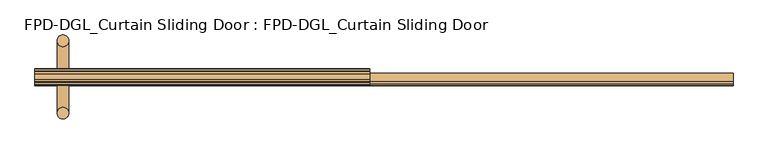
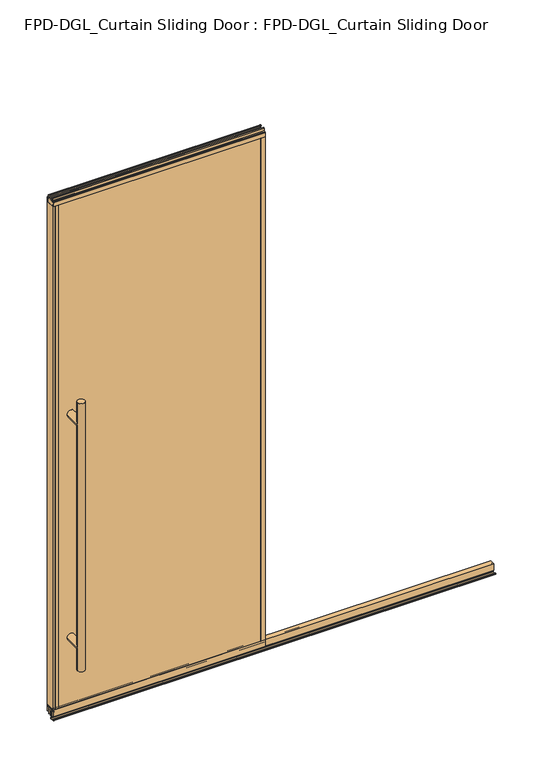
"""IFC4 building model written with IfcOpenShell, lengths in millimetres: door geometry, FPD-DGL_Curtain Sliding Door : FPD-DGL_Curtain Sliding Door."""

from ifc_helpers import new_model, si_unit, point, frame, frame_2d, origin, place, context, project, spatial, polyline, circle_curve, ellipse_curve, trimmed, segment, composite_curve, outline, extrude, source, transform, mapped, element, save
from ifc_brep_helpers import plane_surface, cylinder_surface, advanced_brep


def fpd_dgl_curtain_sliding_door_fpd_dgl_curtain_sliding_door_dd0583d6(model_context):
    return source(origin(), model_context, "Body", "SolidModel", [
        advanced_brep(
        [(-364.728125, -98.628049, 1473.2), (-396.478125, -98.628049, 1473.2), (-364.728125, 98.5969566, 1473.2), (-396.478125, 98.5969566, 1473.2), (-364.728125, -98.628049, 254.0), (-396.478125, -98.628049, 254.0), (-364.728125, 98.5969566, 254.0), (-396.478125, 98.5969566, 254.0), (-364.728125, -98.628049, 1371.6), (-396.478125, -98.628049, 1371.6), (-396.478125, -98.628049, 355.6), (-364.728125, -98.628049, 355.6), (-364.728125, 98.5969566, 1371.6), (-364.728125, 98.5969566, 355.6), (-396.478125, 98.5969566, 355.6), (-396.478125, 98.5969566, 1371.6)],
        [
            (0, 1, circle_curve(frame((-380.603125, -98.628049, 1473.2), z_axis=(0.0, 0.0, 1.0), x_axis=(-1.0, 0.0, 0.0)), 15.875)),
            (1, 0, circle_curve(frame((-380.603125, -98.628049, 1473.2), z_axis=(0.0, 0.0, 1.0), x_axis=(-1.0, 0.0, 0.0)), 15.875)),
            (2, 3, circle_curve(frame((-380.603125, 98.5969566, 1473.2), z_axis=(0.0, 0.0, 1.0), x_axis=(-1.0, 0.0, 0.0)), 15.875)),
            (3, 2, circle_curve(frame((-380.603125, 98.5969566, 1473.2), z_axis=(0.0, 0.0, 1.0), x_axis=(-1.0, 0.0, 0.0)), 15.875)),
            (4, 5, circle_curve(frame((-380.603125, -98.628049, 254.0), z_axis=(0.0, 0.0, -1.0), x_axis=(-1.0, 0.0, 0.0)), 15.875)),
            (5, 4, circle_curve(frame((-380.603125, -98.628049, 254.0), z_axis=(0.0, 0.0, -1.0), x_axis=(-1.0, 0.0, 0.0)), 15.875)),
            (6, 7, circle_curve(frame((-380.603125, 98.5969566, 254.0), z_axis=(0.0, 0.0, -1.0), x_axis=(-1.0, 0.0, 0.0)), 15.875)),
            (7, 6, circle_curve(frame((-380.603125, 98.5969566, 254.0), z_axis=(0.0, 0.0, -1.0), x_axis=(-1.0, 0.0, 0.0)), 15.875)),
            (0, 8),
            (8, 9, ellipse_curve(frame((-380.603125, -98.628049, 1371.6), z_axis=(0.0, -0.7071067811865525, 0.7071067811865427), x_axis=(0.0, 0.7071067811865427, 0.7071067811865523)), 22.4506403, 15.875)),
            (9, 1),
            (5, 10),
            (10, 11, ellipse_curve(frame((-380.603125, -98.628049, 355.6), z_axis=(0.0, -0.7071067811865525, -0.7071067811865427), x_axis=(0.0, -0.7071067811865427, 0.7071067811865523)), 22.4506403, 15.875)),
            (11, 4),
            (8, 11),
            (11, 10, ellipse_curve(frame((-380.603125, -98.628049, 355.6), z_axis=(0.0, -0.7071067811865427, 0.7071067811865525), x_axis=(0.0, 0.7071067811865525, 0.7071067811865425)), 22.4506403, 15.875)),
            (10, 9),
            (9, 8, ellipse_curve(frame((-380.603125, -98.628049, 1371.6), z_axis=(0.0, -0.7071067811865427, -0.7071067811865525), x_axis=(0.0, -0.7071067811865525, 0.7071067811865425)), 22.4506403, 15.875)),
            (2, 12),
            (12, 13),
            (13, 6),
            (7, 14),
            (14, 15),
            (15, 3),
            (15, 12, ellipse_curve(frame((-380.603125, 98.5969566, 1371.6), z_axis=(0.0, 0.7071067811865427, 0.7071067811865525), x_axis=(0.0, -0.7071067811865525, 0.7071067811865425)), 22.4506403, 15.875)),
            (13, 14, ellipse_curve(frame((-380.603125, 98.5969566, 355.6), z_axis=(0.0, 0.7071067811865427, -0.7071067811865525), x_axis=(0.0, 0.7071067811865525, 0.7071067811865425)), 22.4506403, 15.875)),
            (12, 15, ellipse_curve(frame((-380.603125, 98.5969566, 1371.6), z_axis=(0.0, 0.7071067811865525, -0.7071067811865427), x_axis=(0.0, 0.7071067811865427, 0.7071067811865523)), 22.4506403, 15.875)),
            (14, 13, ellipse_curve(frame((-380.603125, 98.5969566, 355.6), z_axis=(0.0, 0.7071067811865525, 0.7071067811865427), x_axis=(0.0, -0.7071067811865427, 0.7071067811865523)), 22.4506403, 15.875)),
            (9, 15),
            (12, 8),
            (10, 14),
            (13, 11),
        ],
        [
            plane_surface(frame((-281.4957243, 0.0, 1473.2), z_axis=(0.0, 0.0, 1.0), x_axis=(0.0, -1.0, 0.0))),
            plane_surface(frame((-281.4957243, 0.0, 254.0), z_axis=(0.0, 0.0, -1.0), x_axis=(0.0, -1.0, 0.0))),
            cylinder_surface(frame((-380.603125, -98.628049, 1473.2), z_axis=(0.0, 0.0, 1.0), x_axis=(-1.0, 0.0, 0.0)), 15.875),
            cylinder_surface(frame((-380.603125, 98.5969566, 1473.2), z_axis=(0.0, 0.0, 1.0), x_axis=(-1.0, 0.0, 0.0)), 15.875),
            cylinder_surface(frame((-380.603125, 98.5969566, 1371.6), z_axis=(0.0, -1.0, 0.0), x_axis=(1.0, 0.0, 0.0)), 15.875),
            cylinder_surface(frame((-380.603125, 0.0, 355.6), z_axis=(0.0, -1.0, 0.0), x_axis=(1.0, 0.0, 0.0)), 15.875),
        ],
        [
            (0, [[1, 2]]),
            (0, [[3, 4]]),
            (1, [[5, 6]]),
            (1, [[7, 8]]),
            (2, [[-1, 9, 10, 11]]),
            (2, [[-6, 12, 13, 14]]),
            (2, [[15, 16, 17, 18]]),
            (2, [[-2, -11, -17, -12, -5, -14, -15, -9]]),
            (3, [[-3, 19, 20, 21, -8, 22, 23, 24]]),
            (3, [[-4, -24, 25, -19]]),
            (3, [[-7, -21, 26, -22]]),
            (3, [[-20, 27, -23, 28]]),
            (4, [[29, -27, 30, -18]]),
            (4, [[-29, -10, -30, -25]]),
            (5, [[31, -26, 32, -13]]),
            (5, [[-31, -16, -32, -28]]),
        ],
    ),
        extrude(outline(composite_curve([segment(trimmed(circle_curve(frame_2d((-4.9814206, 1.1714386)), 1.1684), [point((-3.8130206, 1.1714386))], [point((-4.9814206, 0.0030387))], False, "CARTESIAN"), True, "CONTINUOUS"), segment(polyline([(-4.9814206, 0.0030387), (-22.6598203, 0.0030387)]), True, "CONTINUOUS"), segment(trimmed(circle_curve(frame_2d((-22.6598203, 1.1714386)), 1.1684), [point((-22.6598203, 0.0030387))], [point((-23.8282203, 1.1714386))], False, "CARTESIAN"), True, "CONTINUOUS"), segment(polyline([(-23.8282203, 1.1714386), (-23.8282203, 4.0416386)]), True, "CONTINUOUS"), segment(trimmed(circle_curve(frame_2d((-22.6598203, 4.0416386)), 1.1684), [point((-23.8282203, 4.0416386))], [point((-22.6598203, 5.2100386))], False, "CARTESIAN"), True, "CONTINUOUS"), segment(polyline([(-22.6598203, 5.2100386), (-20.0711431, 5.2100386), (-20.0711431, 4.4232339), (-23.0662203, 4.4232339), (-23.0662203, 0.7650387), (-4.5877206, 0.7650387), (-4.5877206, 4.3138948), (-7.2737706, 4.3138948), (-7.2737706, 5.1338386), (-4.5663812, 5.1338386)]), True, "CONTINUOUS"), segment(trimmed(circle_curve(frame_2d((-4.9814206, 4.0416386)), 1.1684), [point((-4.5663812, 5.1338386))], [point((-3.8130206, 4.0416386))], False, "CARTESIAN"), True, "CONTINUOUS"), segment(polyline([(-3.8130206, 4.0416386), (-3.8130206, 1.1714386)]), True, "CONTINUOUS")], self_intersect=False)), frame((-456.803125, 0.0, 0.0), z_axis=(1.0, 0.0, 0.0), x_axis=(0.0, 1.0, 0.0)), (0.0, 0.0, 1.0), 1904.20625),
        extrude(outline(composite_curve([segment(polyline([(10.9646139, 41.6030387), (10.9646139, 11.6839647), (9.9646139, 11.6839647), (9.9646139, 33.5017657), (8.5747815, 33.5017657), (8.5747815, 34.3040626), (9.9646139, 34.3040626), (9.9646139, 35.6040627), (-0.8353862, 35.6040627), (-0.8353862, 34.3040626), (0.5544462, 34.3040626), (0.5544462, 33.5017657), (-0.8353862, 33.5017657), (-0.8353862, 11.6839647), (-2.4353865, 11.6839647), (-2.4353865, 39.1243868)]), True, "CONTINUOUS"), segment(trimmed(circle_curve(frame_2d((-3.4142598, 39.1243868)), 0.9788733), [point((-2.4353865, 39.1243868))], [point((-3.4142598, 40.1032601))], True, "CARTESIAN"), True, "CONTINUOUS"), segment(polyline([(-3.4142598, 40.1032601), (-8.5030373, 40.1032601)]), True, "CONTINUOUS"), segment(trimmed(circle_curve(frame_2d((-8.5030373, 39.1709995)), 0.9322606), [point((-8.5030373, 40.1032601))], [point((-9.435298, 39.1709995))], True, "CARTESIAN"), True, "CONTINUOUS"), segment(polyline([(-9.435298, 39.1709995), (-9.435298, 11.6839647), (-10.9353859, 11.6839647), (-10.9353859, 41.6030387), (10.9646139, 41.6030387)]), True, "CONTINUOUS")], self_intersect=False)), frame((-456.803125, 0.0, 0.0), z_axis=(1.0, 0.0, 0.0), x_axis=(0.0, 1.0, 0.0)), (0.0, 0.0, 1.0), 1904.20625),
        extrude(outline(composite_curve([segment(polyline([(-14.3241903, 48.6471016), (14.3241903, 48.6471016), (14.3241903, 47.6299627), (12.9571771, 47.6299627), (12.9571771, 41.3613764)]), True, "CONTINUOUS"), segment(trimmed(circle_curve(frame_2d((15.272652, 41.3613764)), 2.3154748), [point((12.9571771, 41.3613764))], [point((15.272652, 39.0459016))], True, "CARTESIAN"), True, "CONTINUOUS"), segment(polyline([(15.272652, 39.0459016), (20.2603754, 39.0522555)]), True, "CONTINUOUS"), segment(trimmed(circle_curve(frame_2d((20.162177, 39.8079016)), 0.762), [point((20.2603754, 39.0522555))], [point((20.924177, 39.8079016))], True, "CARTESIAN"), True, "CONTINUOUS"), segment(polyline([(20.924177, 39.8079016), (20.924177, 48.6471016), (22.2241745, 48.6471016), (22.2241745, 19.0059017), (13.1027622, 19.0059017), (13.1027622, 15.875), (11.1984721, 15.875), (11.1984721, 47.0470737), (-11.1984721, 47.0470737), (-11.1984721, 15.875), (-13.1027622, 15.875), (-13.1027622, 19.0059017), (-22.2241745, 19.0059017), (-22.2241745, 48.6471016), (-20.924177, 48.6471016), (-20.924177, 39.8079016)]), True, "CONTINUOUS"), segment(trimmed(circle_curve(frame_2d((-20.162177, 39.8079016)), 0.762), [point((-20.924177, 39.8079016))], [point((-20.2603754, 39.0522555))], True, "CARTESIAN"), True, "CONTINUOUS"), segment(polyline([(-20.2603754, 39.0522555), (-15.272652, 39.0459016)]), True, "CONTINUOUS"), segment(trimmed(circle_curve(frame_2d((-15.272652, 41.3613764)), 2.3154748), [point((-15.272652, 39.0459016))], [point((-12.9571771, 41.3613764))], True, "CARTESIAN"), True, "CONTINUOUS"), segment(polyline([(-12.9571771, 41.3613764), (-12.9571771, 47.6299627), (-14.3241903, 47.6299627), (-14.3241903, 48.6471016)]), True, "CONTINUOUS")], self_intersect=False)), frame((-456.803125, 0.0, 0.0), z_axis=(1.0, 0.0, 0.0), x_axis=(0.0, 1.0, 0.0)), (0.0, 0.0, 1.0), 913.60625),
        extrude(outline(composite_curve([segment(polyline([(-8.3999825, 2373.0296458), (-8.3999825, 2371.0296498), (-11.9999752, 2371.0296498), (-11.9999752, 2362.5296668)]), True, "CONTINUOUS"), segment(trimmed(circle_curve(frame_2d((-11.4999762, 2362.5296668)), 0.499999), [point((-11.9999752, 2362.5296668))], [point((-11.4999762, 2362.0296678))], True, "CARTESIAN"), True, "CONTINUOUS"), segment(polyline([(-11.4999762, 2362.0296678), (11.4999762, 2362.0296678)]), True, "CONTINUOUS"), segment(trimmed(circle_curve(frame_2d((11.4999762, 2362.5296668)), 0.499999), [point((11.4999762, 2362.0296678))], [point((11.9999752, 2362.5296668))], True, "CARTESIAN"), True, "CONTINUOUS"), segment(polyline([(11.9999752, 2362.5296668), (11.9999752, 2371.0296498), (8.3999825, 2371.0296498), (8.3999825, 2373.0296458), (13.4046588, 2373.0296458)]), True, "CONTINUOUS"), segment(trimmed(circle_curve(frame_2d((13.4046588, 2372.4343333)), 0.5953125), [point((13.4046588, 2373.0296458))], [point((13.9999713, 2372.4343333))], False, "CARTESIAN"), True, "CONTINUOUS"), segment(polyline([(13.9999713, 2372.4343333), (13.9999713, 2361.0663317)]), True, "CONTINUOUS"), segment(trimmed(circle_curve(frame_2d((15.9190752, 2361.0663317)), 1.919104), [point((13.9999713, 2361.0663317))], [point((15.9190752, 2359.1472277))], True, "CARTESIAN"), True, "CONTINUOUS"), segment(polyline([(15.9190752, 2359.1472277), (21.4249567, 2359.1472277)]), True, "CONTINUOUS"), segment(trimmed(circle_curve(frame_2d((21.4249567, 2358.3472293)), 0.7999984), [point((21.4249567, 2359.1472277))], [point((22.2249551, 2358.3472293))], False, "CARTESIAN"), True, "CONTINUOUS"), segment(polyline([(22.2249551, 2358.3472293), (22.2249551, 2339.4622278), (20.9249577, 2339.4622278), (20.9249577, 2349.5622078)]), True, "CONTINUOUS"), segment(trimmed(circle_curve(frame_2d((20.4249587, 2349.5622078)), 0.499999), [point((20.9249577, 2349.5622078))], [point((20.4249587, 2350.0622068))], True, "CARTESIAN"), True, "CONTINUOUS"), segment(polyline([(20.4249587, 2350.0622068), (14.3249714, 2350.0622068), (14.3249714, 2339.4622278), (-14.3249711, 2339.4622278), (-14.3249711, 2350.0622068), (-20.4249587, 2350.0622068)]), True, "CONTINUOUS"), segment(trimmed(circle_curve(frame_2d((-20.4249587, 2349.5622078)), 0.499999), [point((-20.4249587, 2350.0622068))], [point((-20.9249577, 2349.5622078))], True, "CARTESIAN"), True, "CONTINUOUS"), segment(polyline([(-20.9249577, 2349.5622078), (-20.9249577, 2339.4622278), (-22.2249554, 2339.4622278), (-22.2249554, 2358.3472293)]), True, "CONTINUOUS"), segment(trimmed(circle_curve(frame_2d((-21.4249568, 2358.3472293)), 0.7999985), [point((-22.2249554, 2358.3472293))], [point((-21.4249568, 2359.1472278))], False, "CARTESIAN"), True, "CONTINUOUS"), segment(polyline([(-21.4249568, 2359.1472278), (-15.9190752, 2359.1472278)]), True, "CONTINUOUS"), segment(trimmed(circle_curve(frame_2d((-15.9190752, 2361.0663318)), 1.919104), [point((-15.9190752, 2359.1472278))], [point((-13.9999713, 2361.0663318))], True, "CARTESIAN"), True, "CONTINUOUS"), segment(polyline([(-13.9999713, 2361.0663318), (-13.9999713, 2372.4343333)]), True, "CONTINUOUS"), segment(trimmed(circle_curve(frame_2d((-13.4046588, 2372.4343333)), 0.5953125), [point((-13.9999713, 2372.4343333))], [point((-13.4046588, 2373.0296458))], False, "CARTESIAN"), True, "CONTINUOUS"), segment(polyline([(-13.4046588, 2373.0296458), (-8.3999825, 2373.0296458)]), True, "CONTINUOUS")], self_intersect=False)), frame((-456.803125, 0.0, 0.0), z_axis=(1.0, 0.0, 0.0), x_axis=(0.0, 1.0, 0.0)), (0.0, 0.0, 1.0), 913.60625),
        extrude(outline(polyline([(446.8662761, 20.9265993), (446.8662761, 14.325), (-446.8662761, 14.325), (-446.8662761, 20.9265993), (446.8662761, 20.9265993)])), frame((0.0, 0.0, 39.1580021), z_axis=(0.0, 0.0, 1.0), x_axis=(1.0, 0.0, 0.0)), (0.0, 0.0, 1.0), 2310.6376625),
        extrude(outline(polyline([(-446.8662761, -14.325), (446.8662761, -14.325), (446.8662761, -20.9265993), (-446.8662761, -20.9265993), (-446.8662761, -14.325)])), frame((0.0, 0.0, 39.1580021), z_axis=(0.0, 0.0, 1.0), x_axis=(1.0, 0.0, 0.0)), (0.0, 0.0, 1.0), 2310.6376625),
        extrude(outline(composite_curve([segment(polyline([(-456.803125, 22.225), (-436.2662761, 22.225), (-436.2662761, 20.9265993), (-446.3582761, 20.9265993)]), True, "CONTINUOUS"), segment(trimmed(circle_curve(frame_2d((-446.3582761, 20.4185993)), 0.508), [point((-446.3582761, 20.9265993))], [point((-446.8662761, 20.4185993))], True, "CARTESIAN"), True, "CONTINUOUS"), segment(polyline([(-446.8662761, 20.4185993), (-446.8662761, 18.4404), (-448.0662759, 18.4404), (-448.0662759, 20.9202), (-454.9997249, 20.9202), (-454.9997249, 9.245198), (-448.0662759, 9.245198), (-448.0662759, 14.325), (-436.2662761, 14.325), (-436.2662761, -14.325), (-448.0662759, -14.325), (-448.0662759, -9.245198), (-454.9997249, -9.245198), (-454.9997249, -20.9202), (-448.0662759, -20.9202), (-448.0662759, -18.4404), (-446.8662761, -18.4404), (-446.8662761, -20.3974063)]), True, "CONTINUOUS"), segment(trimmed(circle_curve(frame_2d((-446.3370824, -20.3974063)), 0.5291937), [point((-446.8662761, -20.3974063))], [point((-446.3370824, -20.9266))], True, "CARTESIAN"), True, "CONTINUOUS"), segment(polyline([(-446.3370824, -20.9266), (-436.2662761, -20.9266), (-436.2662761, -22.225), (-456.803125, -22.225), (-456.803125, 22.225)]), True, "CONTINUOUS")], self_intersect=False)), frame((0.0, 0.0, 48.6471016), z_axis=(0.0, 0.0, 1.0), x_axis=(1.0, 0.0, 0.0)), (0.0, 0.0, 1.0), 2290.8151262),
        extrude(outline(composite_curve([segment(polyline([(456.803125, 22.225), (456.803125, -22.225), (436.266276, -22.225), (436.266276, -20.9266), (446.3370824, -20.9266)]), True, "CONTINUOUS"), segment(trimmed(circle_curve(frame_2d((446.3370824, -20.3974063)), 0.5291937), [point((446.3370824, -20.9266))], [point((446.8662761, -20.3974063))], True, "CARTESIAN"), True, "CONTINUOUS"), segment(polyline([(446.8662761, -20.3974063), (446.8662761, -18.4404), (448.0662759, -18.4404), (448.0662759, -20.9202), (454.9997249, -20.9202), (454.9997249, -9.245198), (448.0662759, -9.245198), (448.0662759, -14.325), (436.2662761, -14.325), (436.2662761, 14.325), (448.0662759, 14.325), (448.0662759, 9.245198), (454.9997249, 9.245198), (454.9997249, 20.9202), (448.0662759, 20.9202), (448.0662759, 18.4404), (446.8662761, 18.4404), (446.8662761, 20.4185993)]), True, "CONTINUOUS"), segment(trimmed(circle_curve(frame_2d((446.3582761, 20.4185993)), 0.508), [point((446.8662761, 20.4185993))], [point((446.3582761, 20.9265993))], True, "CARTESIAN"), True, "CONTINUOUS"), segment(polyline([(446.3582761, 20.9265993), (436.2662761, 20.9265993), (436.2662761, 22.225), (456.803125, 22.225)]), True, "CONTINUOUS")], self_intersect=False)), frame((0.0, 0.0, 48.6471016), z_axis=(0.0, 0.0, 1.0), x_axis=(1.0, 0.0, 0.0)), (0.0, 0.0, 1.0), 2290.8151262),
    ])


if __name__ == "__main__":
    model = new_model("IFC4")
    model_context = context("Model", 3, world=origin())
    ifc_project = project(units=[si_unit("LENGTHUNIT", "METRE", prefix="MILLI")], contexts=[model_context])
    site = spatial("IfcSite", under=ifc_project)
    building = spatial("IfcBuilding", under=site)
    placement = place(None, origin())
    fpd_dgl_curtain_sliding_door_fpd_dgl_curtain_sliding_door_shape = fpd_dgl_curtain_sliding_door_fpd_dgl_curtain_sliding_door_dd0583d6(model_context)
    element("IfcDoor", 1, ObjectType="FPD-DGL_Curtain Sliding Door : FPD-DGL_Curtain Sliding Door", at=placement, inside=building, context=model_context, shape_type="MappedRepresentation", body=[
        mapped(fpd_dgl_curtain_sliding_door_fpd_dgl_curtain_sliding_door_shape, transform((0.0, 0.0, 0.0), x_axis=(1.0, 0.0, 0.0), y_axis=(0.0, 1.0, 0.0), z_axis=(0.0, 0.0, 1.0))),
    ])
    save(model, "model.ifc")
